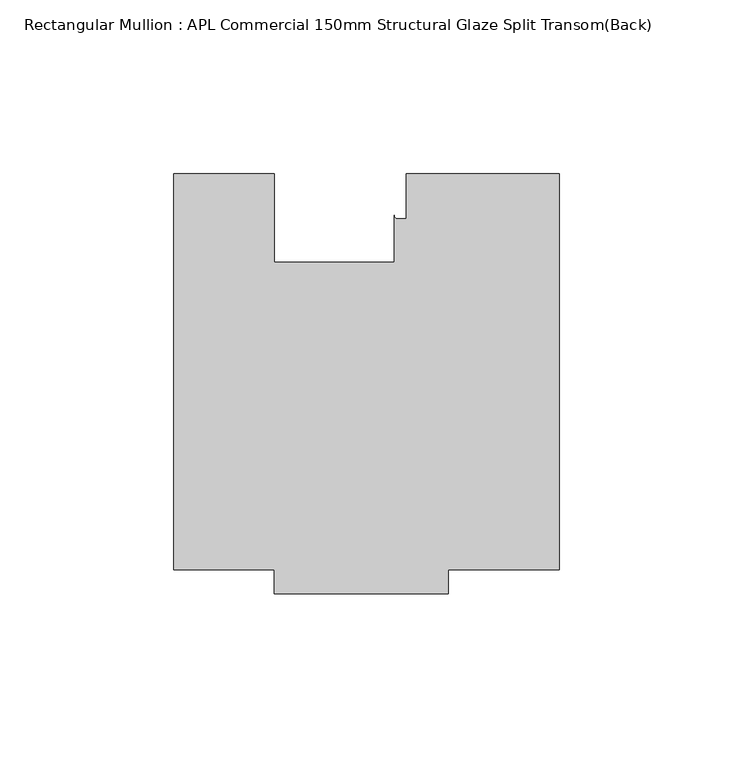
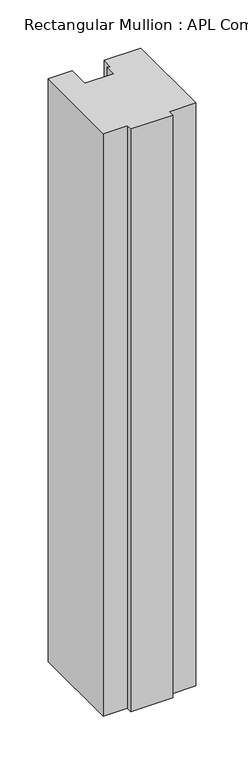
"""IFC4 building model written with IfcOpenShell, lengths in millimetres: member geometry, Rectangular Mullion : APL Commercial 150mm Structural Glaze Split Transom(Back)."""

from ifc_helpers import new_model, si_unit, point, frame, frame_2d, origin, place, context, project, spatial, polyline, circle_curve, trimmed, segment, composite_curve, outline, extrude, source, transform, mapped, element, save


def rectangular_mullion_apl_commercial_150mm_structural_glaze_3b6f92c5(model_context):
    return source(origin(), model_context, "Body", "SweptSolid", [
        extrude(outline(composite_curve([segment(polyline([(54.0000029, -15.0004617), (54.0000029, -129.0003326), (22.0028846, -129.0003326), (22.0028846, -136.0003326), (-27.9971154, -136.0003326), (-27.9971154, -129.0002765), (-57.0000004, -129.0002765), (-57.0000004, -15.0001793), (-28.0000482, -15.0001793), (-28.0000482, -40.499932), (6.5000029, -40.499932), (6.5000029, -27.0002131)]), True, "CONTINUOUS"), segment(trimmed(circle_curve(frame_2d((7.5000029, -27.0002131)), 1.0), [point((6.5000029, -27.0002131))], [point((7.5000029, -28.0002131))], True, "CARTESIAN"), True, "CONTINUOUS"), segment(polyline([(7.5000029, -28.0002131), (10.0000029, -28.0002131), (10.0000029, -15.0004617), (54.0000029, -15.0004617)]), True, "CONTINUOUS")], self_intersect=False)), frame((0.0, 0.0, -737.4042121), z_axis=(0.0, 0.0, 1.0), x_axis=(1.0, 0.0, 0.0)), (0.0, 0.0, 1.0), 737.4042121),
    ])


if __name__ == "__main__":
    model = new_model("IFC4")
    model_context = context("Model", 3, world=origin())
    ifc_project = project(units=[si_unit("LENGTHUNIT", "METRE", prefix="MILLI")], contexts=[model_context])
    site = spatial("IfcSite", under=ifc_project)
    building = spatial("IfcBuilding", under=site)
    placement = place(None, origin())
    rectangular_mullion_apl_commercial_150mm_structural_glaze_shape = rectangular_mullion_apl_commercial_150mm_structural_glaze_3b6f92c5(model_context)
    element("IfcMember", 1, ObjectType="Rectangular Mullion : APL Commercial 150mm Structural Glaze Split Transom(Back)", at=placement, inside=building, context=model_context, shape_type="MappedRepresentation", body=[
        mapped(rectangular_mullion_apl_commercial_150mm_structural_glaze_shape, transform((0.0, 0.0, 0.0), x_axis=(1.0, 0.0, 0.0), y_axis=(0.0, 1.0, 0.0), z_axis=(0.0, 0.0, 1.0))),
    ])
    save(model, "model.ifc")
